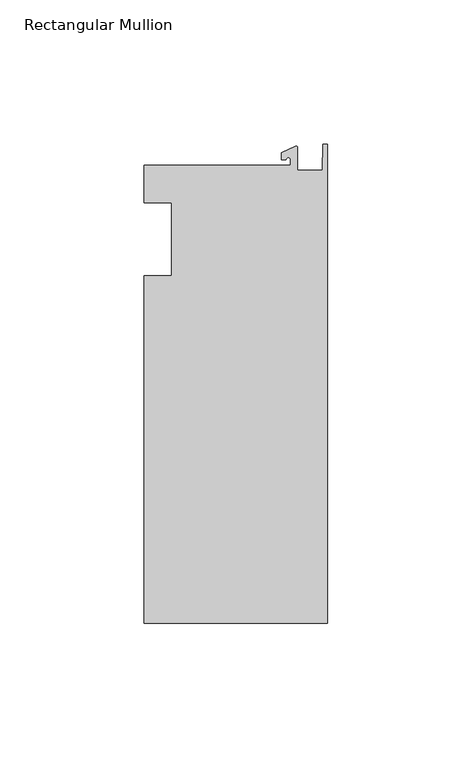
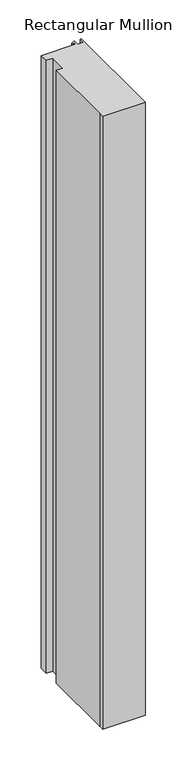
"""IFC4 building model written with IfcOpenShell, lengths in millimetres: member geometry, Rectangular Mullion."""

import ifcopenshell
import ifcopenshell.guid

model = None  # the IFC model being written
_history = None  # IfcOwnerHistory: only IFC2X3 demands one
_inside = {}  # id of a spatial element -> (the spatial element, [elements in it])
_under = {}  # id of a project, library or spatial element -> (it, [spatial elements below it])
_declared = {}  # id of a project -> (the project, [libraries it declares])
_typed = {}  # id of a type object -> (the type object, [elements of that type])
_made_of = {}  # id of a material, layer set ... -> (it, [elements and type objects made of it])


def new_model(schema):
    """Start an empty IFC model of exactly this schema.

    Asked for "IFC4X3", IfcOpenShell would pick the latest addendum, in which some entities
    have other attributes; the version numbers below select the first issue.
    IFC2X3 requires an IfcOwnerHistory on every rooted entity: one is made here for all.
    """
    global model, _history
    if schema == "IFC4X3":
        model = ifcopenshell.file(schema_version=(4, 3, 0, 0))
    else:
        model = ifcopenshell.file(schema=schema)
    _inside.clear()
    _under.clear()
    _declared.clear()
    _typed.clear()
    _made_of.clear()
    _history = None
    if model.schema == "IFC2X3":
        org = make("IfcOrganization", Name="unknown")
        user = make(
            "IfcPersonAndOrganization",
            ThePerson=make("IfcPerson", FamilyName="unknown"),
            TheOrganization=org,
        )
        app = make(
            "IfcApplication",
            ApplicationDeveloper=org,
            Version="unknown",
            ApplicationFullName="unknown",
            ApplicationIdentifier="unknown",
        )
        _history = make(
            "IfcOwnerHistory",
            OwningUser=user,
            OwningApplication=app,
            ChangeAction="ADDED",
            CreationDate=0,
        )
    return model


def make(cls, **values):
    """One entity of the class cls with the attributes given. An attribute that is None is left unset."""
    return model.create_entity(
        cls, **{name: value for name, value in values.items() if value is not None}
    )


def rooted(cls, **values):
    """An entity with a GlobalId (a new one), such as an element, a storey or a relation."""
    return make(cls, GlobalId=ifcopenshell.guid.new(), OwnerHistory=_history, **values)


def si_unit(unit_type, name, prefix=None):
    """IfcSIUnit, for example si_unit("LENGTHUNIT", "METRE", prefix="MILLI")."""
    return make("IfcSIUnit", UnitType=unit_type, Prefix=prefix, Name=name)


def assignment(units):
    """IfcUnitAssignment: the units of a project."""
    return None if units is None else make("IfcUnitAssignment", Units=units)


def point(xyz):
    """IfcCartesianPoint."""
    return None if xyz is None else make("IfcCartesianPoint", Coordinates=xyz)


def direction(xyz):
    """IfcDirection."""
    return None if xyz is None else make("IfcDirection", DirectionRatios=xyz)


def frame(location, z_axis=None, x_axis=None):
    """IfcAxis2Placement3D, a coordinate frame: its origin and axes. An axis left out is left unset."""
    return make(
        "IfcAxis2Placement3D",
        Location=point(location),
        Axis=direction(z_axis),
        RefDirection=direction(x_axis),
    )


def frame_2d(location, x_axis=None):
    """IfcAxis2Placement2D, a coordinate frame in the plane: its origin and x axis."""
    return make(
        "IfcAxis2Placement2D", Location=point(location), RefDirection=direction(x_axis)
    )


def origin():
    """The frame at (0, 0, 0) with its axes left unset."""
    return frame((0.0, 0.0, 0.0))


def place(relative_to, where):
    """IfcLocalPlacement: puts the frame where relative to a parent placement (None: the world)."""
    return make(
        "IfcLocalPlacement", PlacementRelTo=relative_to, RelativePlacement=where
    )


def context(
    kind, dimensions, precision=None, world=None, true_north=None, identifier=None
):
    """IfcGeometricRepresentationContext, for example the 3D "Model" context."""
    return make(
        "IfcGeometricRepresentationContext",
        ContextIdentifier=identifier,
        ContextType=kind,
        CoordinateSpaceDimension=dimensions,
        Precision=precision,
        WorldCoordinateSystem=world,
        TrueNorth=true_north,
    )


def project(units=None, contexts=None):
    """IfcProject with its units and contexts."""
    return rooted(
        "IfcProject",
        Name="project",
        RepresentationContexts=contexts,
        UnitsInContext=assignment(units),
    )


def spatial(cls, under=None, at=None, **own):
    """A site, building, storey or space (cls), placed at a placement, below another one or the project."""
    s = rooted(cls, ObjectPlacement=at, **own)
    if under is not None:
        _under.setdefault(under.id(), (under, []))[1].append(s)
    return s


def polyline(points):
    """IfcPolyline through the points."""
    return make("IfcPolyline", Points=[point(p) for p in points])


def circle_curve(where, radius):
    """IfcCircle in the frame where."""
    return make("IfcCircle", Position=where, Radius=radius)


def trimmed(basis, trim1, trim2, sense, master):
    """IfcTrimmedCurve: the piece of a basis curve between two trims."""
    return make(
        "IfcTrimmedCurve",
        BasisCurve=basis,
        Trim1=trim1,
        Trim2=trim2,
        SenseAgreement=sense,
        MasterRepresentation=master,
    )


def segment(curve, same_sense, transition):
    """IfcCompositeCurveSegment."""
    return make(
        "IfcCompositeCurveSegment",
        Transition=transition,
        SameSense=same_sense,
        ParentCurve=curve,
    )


def composite_curve(segments, self_intersect=None):
    """IfcCompositeCurve: segments joined end to end."""
    return make("IfcCompositeCurve", Segments=segments, SelfIntersect=self_intersect)


def outline(outer, holes=None, kind="AREA"):
    """IfcArbitraryClosedProfileDef: a profile drawn as a closed curve; with holes, ...WithVoids."""
    if holes is None:
        return make("IfcArbitraryClosedProfileDef", ProfileType=kind, OuterCurve=outer)
    return make(
        "IfcArbitraryProfileDefWithVoids",
        ProfileType=kind,
        OuterCurve=outer,
        InnerCurves=holes,
    )


def extrude(swept, where, along, depth):
    """IfcExtrudedAreaSolid: the profile swept, set in the frame where, extruded along a direction by depth."""
    return make(
        "IfcExtrudedAreaSolid",
        SweptArea=swept,
        Position=where,
        ExtrudedDirection=direction(along),
        Depth=depth,
    )


def shape(context_of_items, identifier, shape_type, items):
    """IfcShapeRepresentation: the items that make up one representation, for example the "Body"."""
    return make(
        "IfcShapeRepresentation",
        ContextOfItems=context_of_items,
        RepresentationIdentifier=identifier,
        RepresentationType=shape_type,
        Items=items,
    )


def source(mapping_origin, context_of_items, identifier, shape_type, items):
    """IfcRepresentationMap: a shape defined once, which mapped items show again and again."""
    return make(
        "IfcRepresentationMap",
        MappingOrigin=mapping_origin,
        MappedRepresentation=shape(context_of_items, identifier, shape_type, items),
    )


def transform(
    local_origin,
    x_axis=None,
    y_axis=None,
    z_axis=None,
    scale=None,
    scale2=None,
    scale3=None,
    uniform=True,
):
    """IfcCartesianTransformationOperator3D, or its non-uniform kind. x_axis, y_axis, z_axis: its Axis1, 2, 3."""
    if uniform:
        return make(
            "IfcCartesianTransformationOperator3D",
            Axis1=direction(x_axis),
            Axis2=direction(y_axis),
            LocalOrigin=point(local_origin),
            Scale=scale,
            Axis3=direction(z_axis),
        )
    return make(
        "IfcCartesianTransformationOperator3DnonUniform",
        Axis1=direction(x_axis),
        Axis2=direction(y_axis),
        LocalOrigin=point(local_origin),
        Scale=scale,
        Axis3=direction(z_axis),
        Scale2=scale2,
        Scale3=scale3,
    )


def mapped(mapping_source, mapping_target):
    """IfcMappedItem: shows the shape of a source again, moved by a transform."""
    return make(
        "IfcMappedItem", MappingSource=mapping_source, MappingTarget=mapping_target
    )


def made_of(thing, what):
    """Note that an element or type object is made of a material, layer set ...; save() writes the relation."""
    if what is not None:
        _made_of.setdefault(what.id(), (what, []))[1].append(thing)
    return thing


def element(
    cls,
    number,
    at=None,
    inside=None,
    cuts=None,
    type_object=None,
    material=None,
    context=None,
    identifier="Body",
    shape_type=None,
    held_by="IfcProductDefinitionShape",
    body=None,
    shapes=None,
    **own,
):
    """One element of the class cls, such as IfcWall. Its Tag is "e" and its number.

    at: its placement. inside: the storey or other place that contains it. cuts: it is an
    opening in that element (IfcRelVoidsElement). A single representation is given by context,
    identifier, shape_type and body (its items); several are given by shapes. held_by: the class
    of the entity that holds the representations. save() writes the other relations.
    """
    e = rooted(cls, Tag="e%d" % number, ObjectPlacement=at, **own)
    if body is not None:
        shapes = [shape(context, identifier, shape_type, body)]
    if shapes is not None:
        e.Representation = make(held_by, Representations=shapes)
    if inside is not None:
        _inside.setdefault(inside.id(), (inside, []))[1].append(e)
    if cuts is not None:
        rooted(
            "IfcRelVoidsElement", RelatingBuildingElement=cuts, RelatedOpeningElement=e
        )
    if type_object is not None:
        _typed.setdefault(type_object.id(), (type_object, []))[1].append(e)
    return made_of(e, material)


def aggregate(whole, parts):
    """IfcRelAggregates: a whole, such as a stair, and the parts it consists of."""
    return rooted("IfcRelAggregates", RelatingObject=whole, RelatedObjects=parts)


def save(model, path):
    """Write the relations noted so far, then the file.

    IfcRelAggregates (storeys below a building ...), IfcRelContainedInSpatialStructure (elements
    in a storey), IfcRelDefinesByType, IfcRelAssociatesMaterial and IfcRelDeclares: one each for
    every whole, place, type object, material and project.
    """
    for whole, parts in _under.values():
        aggregate(whole, parts)
    for where, things in _inside.values():
        rooted(
            "IfcRelContainedInSpatialStructure",
            RelatedElements=things,
            RelatingStructure=where,
        )
    for kind, things in _typed.values():
        rooted("IfcRelDefinesByType", RelatedObjects=things, RelatingType=kind)
    for what, things in _made_of.values():
        rooted("IfcRelAssociatesMaterial", RelatedObjects=things, RelatingMaterial=what)
    for by, libraries in _declared.values():
        rooted("IfcRelDeclares", RelatingContext=by, RelatedDefinitions=libraries)
    model.write(path)


def rectangular_mullion_d8592e5f(model_context):
    return source(origin(), model_context, "Body", "SweptSolid", [
        extrude(outline(composite_curve([segment(polyline([(-12.8216721, 25.5984375), (-12.8216721, 27.5208534)]), True, "CONTINUOUS"), segment(trimmed(circle_curve(frame_2d((-13.6154221, 27.5208534)), 0.79375), [point((-12.8216721, 27.5208534))], [point((-14.4091721, 27.5208534))], True, "CARTESIAN"), True, "CONTINUOUS"), segment(polyline([(-14.4091721, 27.5208534), (-15.9966721, 27.5208534), (-15.9966721, 29.8830527), (-11.1567622, 32.1399398)]), True, "CONTINUOUS"), segment(trimmed(circle_curve(frame_2d((-10.9420721, 31.6795354)), 0.508), [point((-11.1567622, 32.1399398))], [point((-10.4340721, 31.6795354))], False, "CARTESIAN"), True, "CONTINUOUS"), segment(polyline([(-10.4340721, 31.6795354), (-10.4340721, 23.9227662), (-1.7144124, 23.9227662), (-1.5566453, 32.810012), (0.0, 32.810012), (0.0, -132.822512), (-63.5, -132.822512), (-63.5, -125.075512), (-63.5, -12.7), (-53.975, -12.7), (-53.975, 12.7), (-63.5, 12.7), (-63.5, 25.5984375), (-12.8216721, 25.5984375)]), True, "CONTINUOUS")], self_intersect=False)), frame((0.0, 0.0, -967.42885), z_axis=(0.0, 0.0, 1.0), x_axis=(1.0, 0.0, 0.0)), (0.0, 0.0, 1.0), 967.42885),
    ])


if __name__ == "__main__":
    model = new_model("IFC4")
    model_context = context("Model", 3, world=origin())
    ifc_project = project(units=[si_unit("LENGTHUNIT", "METRE", prefix="MILLI")], contexts=[model_context])
    site = spatial("IfcSite", under=ifc_project)
    building = spatial("IfcBuilding", under=site)
    placement = place(None, origin())
    rectangular_mullion_shape = rectangular_mullion_d8592e5f(model_context)
    element("IfcMember", 1, ObjectType="Rectangular Mullion", at=placement, inside=building, context=model_context, shape_type="MappedRepresentation", body=[
        mapped(rectangular_mullion_shape, transform((0.0, 0.0, 0.0), x_axis=(1.0, 0.0, 0.0), y_axis=(0.0, 1.0, 0.0), z_axis=(0.0, 0.0, 1.0))),
    ])
    save(model, "model.ifc")
